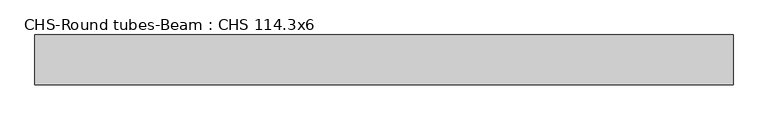
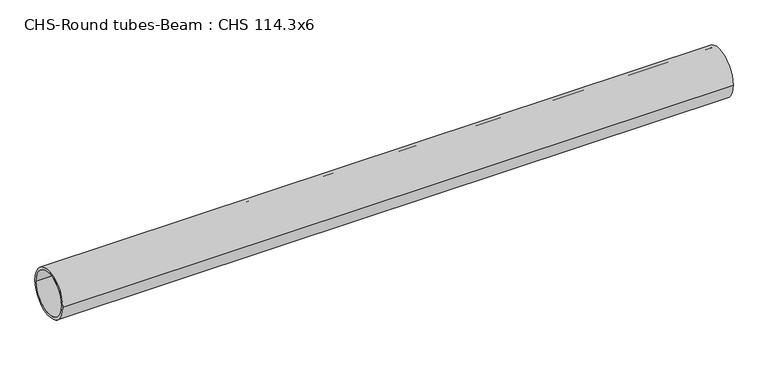
"""IFC4 building model written with IfcOpenShell, lengths in millimetres: beam geometry, CHS-Round tubes-Beam : CHS 114.3x6."""

from ifc_helpers import new_model, si_unit, point, frame, origin, origin_2d, place, context, project, spatial, circle_curve, trimmed, segment, composite_curve, outline, extrude, source, transform, mapped, element, save


def chs_round_tubes_beam_chs_114_3x6_83bd6565(model_context):
    return source(origin(), model_context, "Body", "SweptSolid", [
        extrude(outline(composite_curve([segment(trimmed(circle_curve(origin_2d(), 57.15), [point((57.15, 0.0))], [point((-57.15, 0.0))], False, "CARTESIAN"), True, "CONTINUOUS"), segment(trimmed(circle_curve(origin_2d(), 57.15), [point((-57.15, 0.0))], [point((57.15, 0.0))], False, "CARTESIAN"), True, "CONTINUOUS")], self_intersect=False), holes=[composite_curve([segment(trimmed(circle_curve(origin_2d(), 51.15), [point((51.15, 0.0))], [point((-51.15, 0.0))], True, "CARTESIAN"), True, "CONTINUOUS"), segment(trimmed(circle_curve(origin_2d(), 51.15), [point((-51.15, 0.0))], [point((51.15, 0.0))], True, "CARTESIAN"), True, "CONTINUOUS")], self_intersect=False)]), frame((-790.0428805, 0.0, 0.0), z_axis=(1.0, 0.0, 0.0), x_axis=(0.0, 1.0, 0.0)), (0.0, 0.0, 1.0), 1593.9886494),
    ])


if __name__ == "__main__":
    model = new_model("IFC4")
    model_context = context("Model", 3, world=origin())
    ifc_project = project(units=[si_unit("LENGTHUNIT", "METRE", prefix="MILLI")], contexts=[model_context])
    site = spatial("IfcSite", under=ifc_project)
    building = spatial("IfcBuilding", under=site)
    placement = place(None, origin())
    chs_round_tubes_beam_chs_114_3x6_shape = chs_round_tubes_beam_chs_114_3x6_83bd6565(model_context)
    element("IfcBeam", 1, ObjectType="CHS-Round tubes-Beam : CHS 114.3x6", at=placement, inside=building, context=model_context, shape_type="MappedRepresentation", body=[
        mapped(chs_round_tubes_beam_chs_114_3x6_shape, transform((0.0, 0.0, 0.0), x_axis=(1.0, 0.0, 0.0), y_axis=(0.0, 1.0, 0.0), z_axis=(0.0, 0.0, 1.0))),
    ])
    save(model, "model.ifc")
